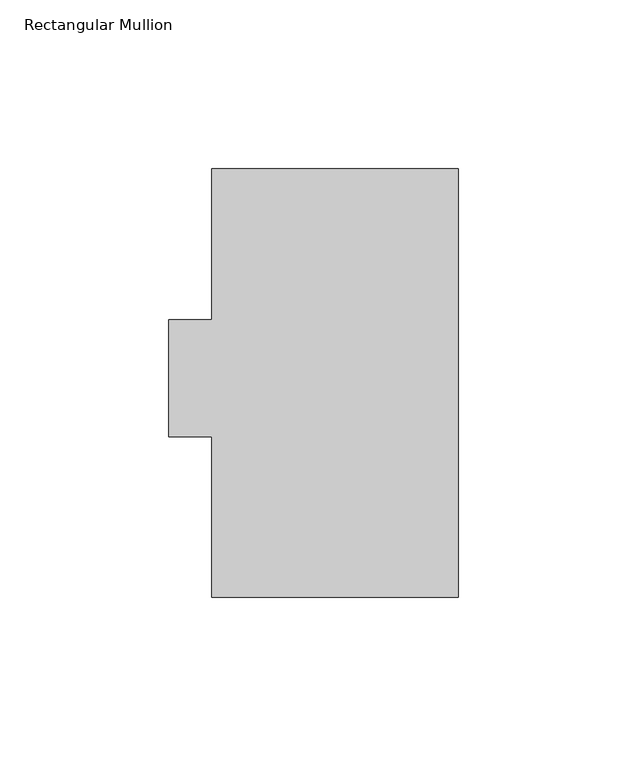
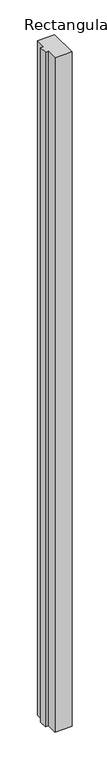
"""IFC4 building model written with IfcOpenShell, lengths in millimetres: member geometry, Rectangular Mullion."""

from ifc_helpers import new_model, si_unit, frame, origin, place, context, project, spatial, polyline, outline, extrude, source, transform, mapped, element, save


def rectangular_mullion_ee8ada06(model_context):
    return source(origin(), model_context, "Body", "SweptSolid", [
        extrude(outline(polyline([(-73.025, 127.00635), (0.0, 127.00635), (0.0, 0.00635), (-73.025, 0.00635), (-73.025, 47.63135), (-85.725, 47.63135), (-85.725, 82.30235), (-73.025, 82.30235), (-73.025, 127.00635)])), frame((0.0, 0.0, -3048.0), z_axis=(0.0, 0.0, 1.0), x_axis=(1.0, 0.0, 0.0)), (0.0, 0.0, 1.0), 3048.0),
    ])


if __name__ == "__main__":
    model = new_model("IFC4")
    model_context = context("Model", 3, world=origin())
    ifc_project = project(units=[si_unit("LENGTHUNIT", "METRE", prefix="MILLI")], contexts=[model_context])
    site = spatial("IfcSite", under=ifc_project)
    building = spatial("IfcBuilding", under=site)
    placement = place(None, origin())
    rectangular_mullion_shape = rectangular_mullion_ee8ada06(model_context)
    element("IfcMember", 1, ObjectType="Rectangular Mullion", at=placement, inside=building, context=model_context, shape_type="MappedRepresentation", body=[
        mapped(rectangular_mullion_shape, transform((0.0, 0.0, 0.0), x_axis=(1.0, 0.0, 0.0), y_axis=(0.0, 1.0, 0.0), z_axis=(0.0, 0.0, 1.0))),
    ])
    save(model, "model.ifc")
